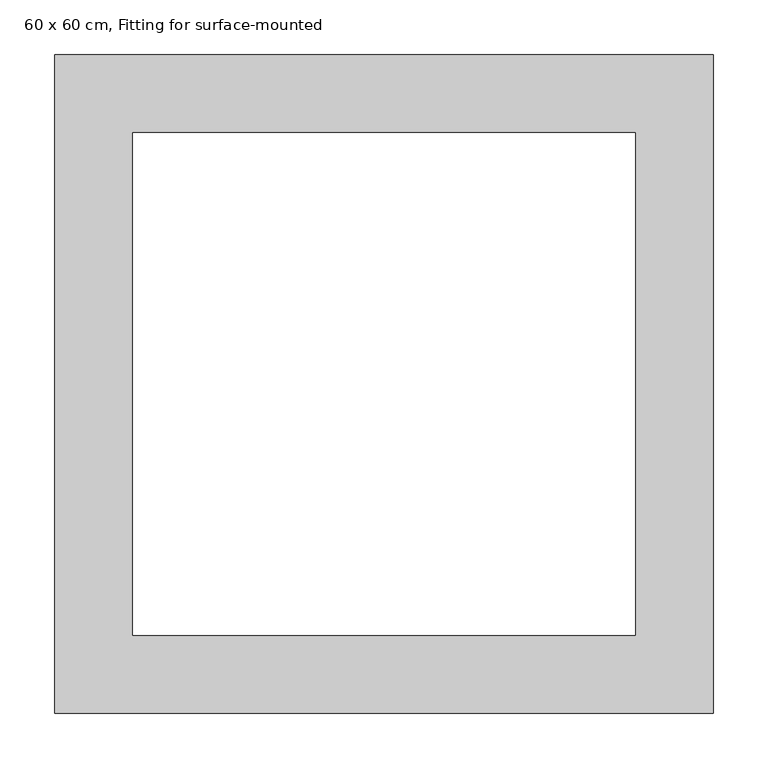
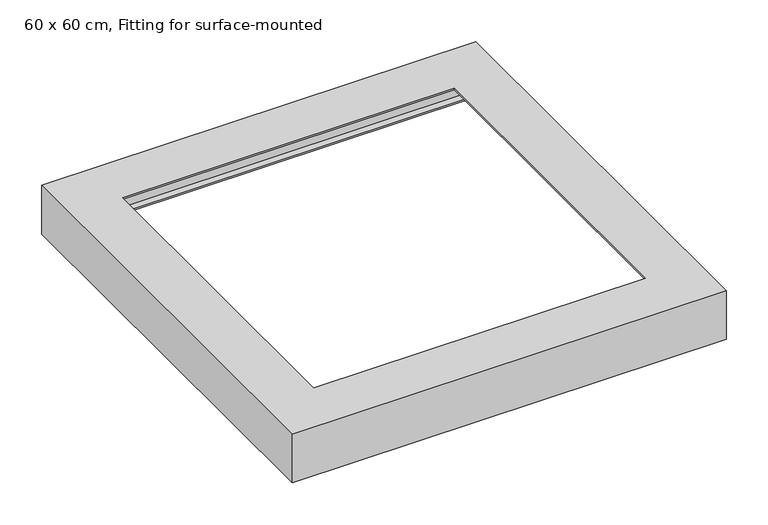
"""IFC4 building model written with IfcOpenShell, lengths in millimetres: light fixture geometry, 60 x 60 cm, Fitting for surface-mounted."""

from ifc_helpers import new_model, si_unit, origin, place, context, project, spatial, faceted_brep, source, transform, mapped, element, save


def light_fixture_60_x_60_cm_fitting_for_surface_mounted_057fd639(model_context):
    return source(origin(), model_context, "Body", "Brep", [
        faceted_brep([(288.0, 288.0, -69.0), (288.0, 288.0, -71.0), (288.0, -288.0, -71.0), (288.0, -288.0, -69.0), (298.0, 298.0, -2.0), (298.0, 298.0, -69.0), (298.0, -298.0, -69.0), (298.0, -298.0, -2.0), (229.0, 229.0, 0.0), (229.0, 229.0, -2.0), (229.0, -229.0, -2.0), (229.0, -229.0, 0.0), (300.0, 300.0, -71.0), (300.0, 300.0, 0.0), (300.0, -300.0, 0.0), (300.0, -300.0, -71.0), (-288.0, -288.0, -71.0), (-288.0, -288.0, -69.0), (-298.0, -298.0, -69.0), (-298.0, -298.0, -2.0), (-229.0, -229.0, -2.0), (-229.0, -229.0, 0.0), (-300.0, -300.0, 0.0), (-300.0, -300.0, -71.0), (-288.0, 288.0, -71.0), (-288.0, 288.0, -69.0), (-298.0, 298.0, -69.0), (-298.0, 298.0, -2.0), (-229.0, 229.0, -2.0), (-229.0, 229.0, 0.0), (-300.0, 300.0, 0.0), (-300.0, 300.0, -71.0)], [[[0, 1, 2, 3]], [[4, 5, 6, 7]], [[8, 9, 10, 11]], [[12, 13, 14, 15]], [[3, 2, 16, 17]], [[7, 6, 18, 19]], [[11, 10, 20, 21]], [[15, 14, 22, 23]], [[17, 16, 24, 25]], [[19, 18, 26, 27]], [[21, 20, 28, 29]], [[23, 22, 30, 31]], [[15, 23, 31, 12], [1, 24, 16, 2]], [[25, 24, 1, 0]], [[5, 26, 18, 6], [3, 17, 25, 0]], [[27, 26, 5, 4]], [[7, 19, 27, 4], [9, 28, 20, 10]], [[29, 28, 9, 8]], [[13, 30, 22, 14], [11, 21, 29, 8]], [[31, 30, 13, 12]]]),
    ])


if __name__ == "__main__":
    model = new_model("IFC4")
    model_context = context("Model", 3, world=origin())
    ifc_project = project(units=[si_unit("LENGTHUNIT", "METRE", prefix="MILLI")], contexts=[model_context])
    site = spatial("IfcSite", under=ifc_project)
    building = spatial("IfcBuilding", under=site)
    placement = place(None, origin())
    light_fixture_60_x_60_cm_fitting_for_surface_mounted_shape = light_fixture_60_x_60_cm_fitting_for_surface_mounted_057fd639(model_context)
    element("IfcLightFixture", 1, ObjectType="60 x 60 cm, Fitting for surface-mounted", at=placement, inside=building, context=model_context, shape_type="MappedRepresentation", body=[
        mapped(light_fixture_60_x_60_cm_fitting_for_surface_mounted_shape, transform((0.0, 0.0, 0.0), x_axis=(1.0, 0.0, 0.0), y_axis=(0.0, 1.0, 0.0), z_axis=(0.0, 0.0, 1.0))),
    ])
    save(model, "model.ifc")
